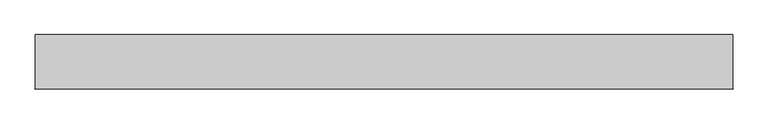
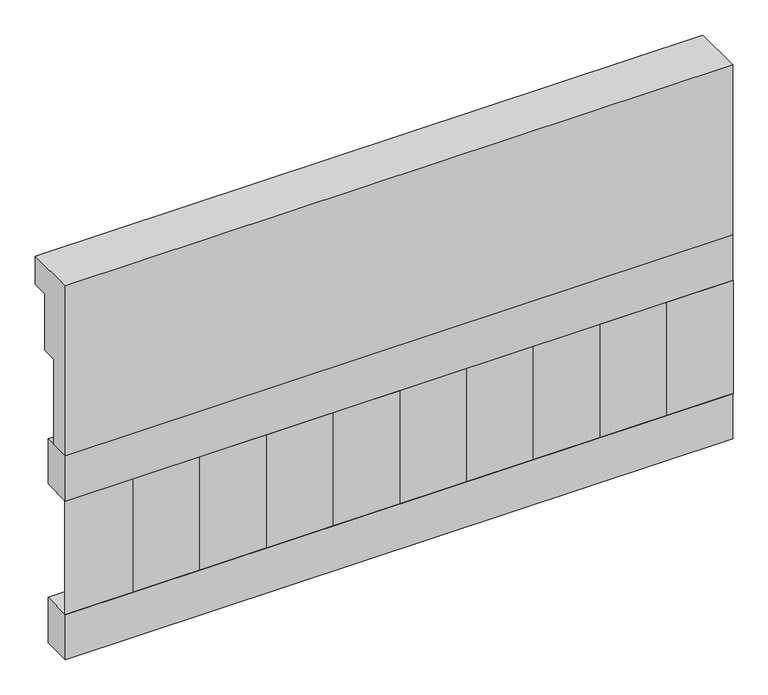
"""IFC4 building model written with IfcOpenShell, lengths in millimetres: railing geometry."""

from ifc_helpers import new_model, si_unit, frame, origin, place, context, project, spatial, polyline, outline, extrude, source, transform, mapped, element, save


def railing_fe0c5917(model_context):
    return source(origin(), model_context, "Body", "SweptSolid", [
        extrude(outline(polyline([(903.1079487, 25100.0), (1033.1079487, 25100.0), (1033.1079487, 25025.0), (993.1079487, 25025.0), (993.1079487, 24875.0), (953.1079487, 24875.0), (953.1079487, 24650.0), (903.1079487, 24650.0), (903.1079487, 25100.0)])), frame((39990.0112841, 0.0, 0.0), z_axis=(1.0, 0.0, 0.0), x_axis=(0.0, 1.0, 0.0)), (0.0, 0.0, 1.0), 1670.0),
        extrude(outline(polyline([(41660.0112841, 978.1079487), (41660.0112841, 903.1079487), (39990.0112841, 903.1079487), (39990.0112841, 978.1079487), (41660.0112841, 978.1079487)])), frame((0.0, 0.0, 24530.0), z_axis=(0.0, 0.0, 1.0), x_axis=(1.0, 0.0, 0.0)), (0.0, 0.0, 1.0), 120.0),
        extrude(outline(polyline([(41660.0112841, 978.1079487), (41660.0112841, 903.1079487), (39990.0112841, 903.1079487), (39990.0112841, 978.1079487), (41660.0112841, 978.1079487)])), frame((0.0, 0.0, 24110.0), z_axis=(0.0, 0.0, 1.0), x_axis=(1.0, 0.0, 0.0)), (0.0, 0.0, 1.0), 120.0),
        extrude(outline(polyline([(40073.5112841, 987.9607624), (40158.3640978, 903.1079487), (39988.6584704, 903.1079487), (40073.5112841, 987.9607624)])), frame((0.0, 0.0, 24230.0), z_axis=(0.0, 0.0, 1.0), x_axis=(1.0, 0.0, 0.0)), (0.0, 0.0, 1.0), 300.0),
        extrude(outline(polyline([(40240.5112841, 987.9607624), (40325.3640978, 903.1079487), (40155.6584704, 903.1079487), (40240.5112841, 987.9607624)])), frame((0.0, 0.0, 24230.0), z_axis=(0.0, 0.0, 1.0), x_axis=(1.0, 0.0, 0.0)), (0.0, 0.0, 1.0), 300.0),
        extrude(outline(polyline([(40407.5112841, 987.9607624), (40492.3640978, 903.1079487), (40322.6584704, 903.1079487), (40407.5112841, 987.9607624)])), frame((0.0, 0.0, 24230.0), z_axis=(0.0, 0.0, 1.0), x_axis=(1.0, 0.0, 0.0)), (0.0, 0.0, 1.0), 300.0),
        extrude(outline(polyline([(40574.5112841, 987.9607624), (40659.3640978, 903.1079487), (40489.6584704, 903.1079487), (40574.5112841, 987.9607624)])), frame((0.0, 0.0, 24230.0), z_axis=(0.0, 0.0, 1.0), x_axis=(1.0, 0.0, 0.0)), (0.0, 0.0, 1.0), 300.0),
        extrude(outline(polyline([(40741.5112841, 987.9607624), (40826.3640978, 903.1079487), (40656.6584704, 903.1079487), (40741.5112841, 987.9607624)])), frame((0.0, 0.0, 24230.0), z_axis=(0.0, 0.0, 1.0), x_axis=(1.0, 0.0, 0.0)), (0.0, 0.0, 1.0), 300.0),
        extrude(outline(polyline([(40908.5112841, 987.9607624), (40993.3640978, 903.1079487), (40823.6584704, 903.1079487), (40908.5112841, 987.9607624)])), frame((0.0, 0.0, 24230.0), z_axis=(0.0, 0.0, 1.0), x_axis=(1.0, 0.0, 0.0)), (0.0, 0.0, 1.0), 300.0),
        extrude(outline(polyline([(41075.5112841, 987.9607624), (41160.3640978, 903.1079487), (40990.6584704, 903.1079487), (41075.5112841, 987.9607624)])), frame((0.0, 0.0, 24230.0), z_axis=(0.0, 0.0, 1.0), x_axis=(1.0, 0.0, 0.0)), (0.0, 0.0, 1.0), 300.0),
        extrude(outline(polyline([(41242.5112841, 987.9607624), (41327.3640978, 903.1079487), (41157.6584704, 903.1079487), (41242.5112841, 987.9607624)])), frame((0.0, 0.0, 24230.0), z_axis=(0.0, 0.0, 1.0), x_axis=(1.0, 0.0, 0.0)), (0.0, 0.0, 1.0), 300.0),
        extrude(outline(polyline([(41409.5112841, 987.9607624), (41494.3640978, 903.1079487), (41324.6584704, 903.1079487), (41409.5112841, 987.9607624)])), frame((0.0, 0.0, 24230.0), z_axis=(0.0, 0.0, 1.0), x_axis=(1.0, 0.0, 0.0)), (0.0, 0.0, 1.0), 300.0),
        extrude(outline(polyline([(41576.5112841, 987.9607624), (41661.3640978, 903.1079487), (41491.6584704, 903.1079487), (41576.5112841, 987.9607624)])), frame((0.0, 0.0, 24230.0), z_axis=(0.0, 0.0, 1.0), x_axis=(1.0, 0.0, 0.0)), (0.0, 0.0, 1.0), 300.0),
    ])


if __name__ == "__main__":
    model = new_model("IFC4")
    model_context = context("Model", 3, world=origin())
    ifc_project = project(units=[si_unit("LENGTHUNIT", "METRE", prefix="MILLI")], contexts=[model_context])
    site = spatial("IfcSite", under=ifc_project)
    building = spatial("IfcBuilding", under=site)
    placement = place(None, origin())
    railing_shape = railing_fe0c5917(model_context)
    element("IfcRailing", 1, at=placement, inside=building, context=model_context, shape_type="MappedRepresentation", body=[
        mapped(railing_shape, transform((0.0, 0.0, 0.0), x_axis=(1.0, 0.0, 0.0), y_axis=(0.0, 1.0, 0.0), z_axis=(0.0, 0.0, 1.0))),
    ])
    save(model, "model.ifc")
